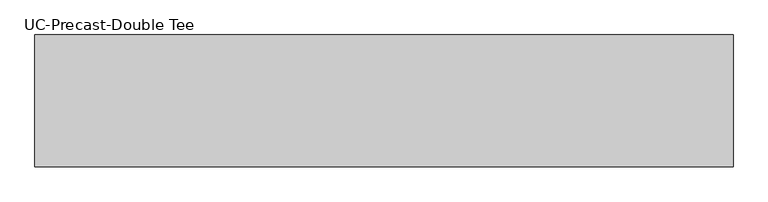
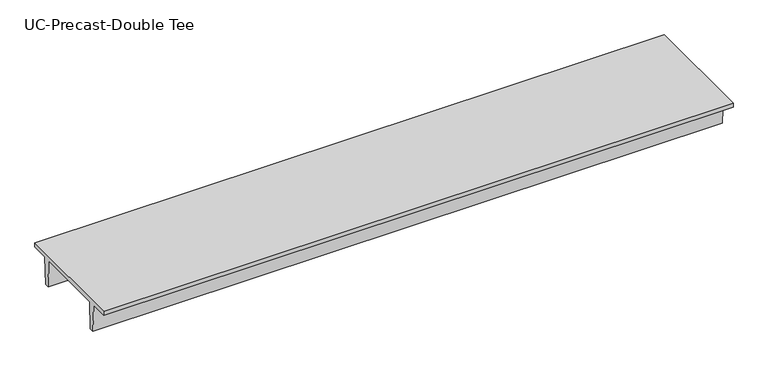
"""IFC4 building model written with IfcOpenShell, lengths in millimetres: beam geometry, UC-Precast-Double Tee."""

import ifcopenshell
import ifcopenshell.guid

model = None  # the IFC model being written
_history = None  # IfcOwnerHistory: only IFC2X3 demands one
_inside = {}  # id of a spatial element -> (the spatial element, [elements in it])
_under = {}  # id of a project, library or spatial element -> (it, [spatial elements below it])
_declared = {}  # id of a project -> (the project, [libraries it declares])
_typed = {}  # id of a type object -> (the type object, [elements of that type])
_made_of = {}  # id of a material, layer set ... -> (it, [elements and type objects made of it])


def new_model(schema):
    """Start an empty IFC model of exactly this schema.

    Asked for "IFC4X3", IfcOpenShell would pick the latest addendum, in which some entities
    have other attributes; the version numbers below select the first issue.
    IFC2X3 requires an IfcOwnerHistory on every rooted entity: one is made here for all.
    """
    global model, _history
    if schema == "IFC4X3":
        model = ifcopenshell.file(schema_version=(4, 3, 0, 0))
    else:
        model = ifcopenshell.file(schema=schema)
    _inside.clear()
    _under.clear()
    _declared.clear()
    _typed.clear()
    _made_of.clear()
    _history = None
    if model.schema == "IFC2X3":
        org = make("IfcOrganization", Name="unknown")
        user = make(
            "IfcPersonAndOrganization",
            ThePerson=make("IfcPerson", FamilyName="unknown"),
            TheOrganization=org,
        )
        app = make(
            "IfcApplication",
            ApplicationDeveloper=org,
            Version="unknown",
            ApplicationFullName="unknown",
            ApplicationIdentifier="unknown",
        )
        _history = make(
            "IfcOwnerHistory",
            OwningUser=user,
            OwningApplication=app,
            ChangeAction="ADDED",
            CreationDate=0,
        )
    return model


def make(cls, **values):
    """One entity of the class cls with the attributes given. An attribute that is None is left unset."""
    return model.create_entity(
        cls, **{name: value for name, value in values.items() if value is not None}
    )


def rooted(cls, **values):
    """An entity with a GlobalId (a new one), such as an element, a storey or a relation."""
    return make(cls, GlobalId=ifcopenshell.guid.new(), OwnerHistory=_history, **values)


def si_unit(unit_type, name, prefix=None):
    """IfcSIUnit, for example si_unit("LENGTHUNIT", "METRE", prefix="MILLI")."""
    return make("IfcSIUnit", UnitType=unit_type, Prefix=prefix, Name=name)


def assignment(units):
    """IfcUnitAssignment: the units of a project."""
    return None if units is None else make("IfcUnitAssignment", Units=units)


def point(xyz):
    """IfcCartesianPoint."""
    return None if xyz is None else make("IfcCartesianPoint", Coordinates=xyz)


def direction(xyz):
    """IfcDirection."""
    return None if xyz is None else make("IfcDirection", DirectionRatios=xyz)


def frame(location, z_axis=None, x_axis=None):
    """IfcAxis2Placement3D, a coordinate frame: its origin and axes. An axis left out is left unset."""
    return make(
        "IfcAxis2Placement3D",
        Location=point(location),
        Axis=direction(z_axis),
        RefDirection=direction(x_axis),
    )


def origin():
    """The frame at (0, 0, 0) with its axes left unset."""
    return frame((0.0, 0.0, 0.0))


def place(relative_to, where):
    """IfcLocalPlacement: puts the frame where relative to a parent placement (None: the world)."""
    return make(
        "IfcLocalPlacement", PlacementRelTo=relative_to, RelativePlacement=where
    )


def context(
    kind, dimensions, precision=None, world=None, true_north=None, identifier=None
):
    """IfcGeometricRepresentationContext, for example the 3D "Model" context."""
    return make(
        "IfcGeometricRepresentationContext",
        ContextIdentifier=identifier,
        ContextType=kind,
        CoordinateSpaceDimension=dimensions,
        Precision=precision,
        WorldCoordinateSystem=world,
        TrueNorth=true_north,
    )


def project(units=None, contexts=None):
    """IfcProject with its units and contexts."""
    return rooted(
        "IfcProject",
        Name="project",
        RepresentationContexts=contexts,
        UnitsInContext=assignment(units),
    )


def spatial(cls, under=None, at=None, **own):
    """A site, building, storey or space (cls), placed at a placement, below another one or the project."""
    s = rooted(cls, ObjectPlacement=at, **own)
    if under is not None:
        _under.setdefault(under.id(), (under, []))[1].append(s)
    return s


def polyline(points):
    """IfcPolyline through the points."""
    return make("IfcPolyline", Points=[point(p) for p in points])


def outline(outer, holes=None, kind="AREA"):
    """IfcArbitraryClosedProfileDef: a profile drawn as a closed curve; with holes, ...WithVoids."""
    if holes is None:
        return make("IfcArbitraryClosedProfileDef", ProfileType=kind, OuterCurve=outer)
    return make(
        "IfcArbitraryProfileDefWithVoids",
        ProfileType=kind,
        OuterCurve=outer,
        InnerCurves=holes,
    )


def extrude(swept, where, along, depth):
    """IfcExtrudedAreaSolid: the profile swept, set in the frame where, extruded along a direction by depth."""
    return make(
        "IfcExtrudedAreaSolid",
        SweptArea=swept,
        Position=where,
        ExtrudedDirection=direction(along),
        Depth=depth,
    )


def shape(context_of_items, identifier, shape_type, items):
    """IfcShapeRepresentation: the items that make up one representation, for example the "Body"."""
    return make(
        "IfcShapeRepresentation",
        ContextOfItems=context_of_items,
        RepresentationIdentifier=identifier,
        RepresentationType=shape_type,
        Items=items,
    )


def source(mapping_origin, context_of_items, identifier, shape_type, items):
    """IfcRepresentationMap: a shape defined once, which mapped items show again and again."""
    return make(
        "IfcRepresentationMap",
        MappingOrigin=mapping_origin,
        MappedRepresentation=shape(context_of_items, identifier, shape_type, items),
    )


def transform(
    local_origin,
    x_axis=None,
    y_axis=None,
    z_axis=None,
    scale=None,
    scale2=None,
    scale3=None,
    uniform=True,
):
    """IfcCartesianTransformationOperator3D, or its non-uniform kind. x_axis, y_axis, z_axis: its Axis1, 2, 3."""
    if uniform:
        return make(
            "IfcCartesianTransformationOperator3D",
            Axis1=direction(x_axis),
            Axis2=direction(y_axis),
            LocalOrigin=point(local_origin),
            Scale=scale,
            Axis3=direction(z_axis),
        )
    return make(
        "IfcCartesianTransformationOperator3DnonUniform",
        Axis1=direction(x_axis),
        Axis2=direction(y_axis),
        LocalOrigin=point(local_origin),
        Scale=scale,
        Axis3=direction(z_axis),
        Scale2=scale2,
        Scale3=scale3,
    )


def mapped(mapping_source, mapping_target):
    """IfcMappedItem: shows the shape of a source again, moved by a transform."""
    return make(
        "IfcMappedItem", MappingSource=mapping_source, MappingTarget=mapping_target
    )


def made_of(thing, what):
    """Note that an element or type object is made of a material, layer set ...; save() writes the relation."""
    if what is not None:
        _made_of.setdefault(what.id(), (what, []))[1].append(thing)
    return thing


def element(
    cls,
    number,
    at=None,
    inside=None,
    cuts=None,
    type_object=None,
    material=None,
    context=None,
    identifier="Body",
    shape_type=None,
    held_by="IfcProductDefinitionShape",
    body=None,
    shapes=None,
    **own,
):
    """One element of the class cls, such as IfcWall. Its Tag is "e" and its number.

    at: its placement. inside: the storey or other place that contains it. cuts: it is an
    opening in that element (IfcRelVoidsElement). A single representation is given by context,
    identifier, shape_type and body (its items); several are given by shapes. held_by: the class
    of the entity that holds the representations. save() writes the other relations.
    """
    e = rooted(cls, Tag="e%d" % number, ObjectPlacement=at, **own)
    if body is not None:
        shapes = [shape(context, identifier, shape_type, body)]
    if shapes is not None:
        e.Representation = make(held_by, Representations=shapes)
    if inside is not None:
        _inside.setdefault(inside.id(), (inside, []))[1].append(e)
    if cuts is not None:
        rooted(
            "IfcRelVoidsElement", RelatingBuildingElement=cuts, RelatedOpeningElement=e
        )
    if type_object is not None:
        _typed.setdefault(type_object.id(), (type_object, []))[1].append(e)
    return made_of(e, material)


def aggregate(whole, parts):
    """IfcRelAggregates: a whole, such as a stair, and the parts it consists of."""
    return rooted("IfcRelAggregates", RelatingObject=whole, RelatedObjects=parts)


def save(model, path):
    """Write the relations noted so far, then the file.

    IfcRelAggregates (storeys below a building ...), IfcRelContainedInSpatialStructure (elements
    in a storey), IfcRelDefinesByType, IfcRelAssociatesMaterial and IfcRelDeclares: one each for
    every whole, place, type object, material and project.
    """
    for whole, parts in _under.values():
        aggregate(whole, parts)
    for where, things in _inside.values():
        rooted(
            "IfcRelContainedInSpatialStructure",
            RelatedElements=things,
            RelatingStructure=where,
        )
    for kind, things in _typed.values():
        rooted("IfcRelDefinesByType", RelatedObjects=things, RelatingType=kind)
    for what, things in _made_of.values():
        rooted("IfcRelAssociatesMaterial", RelatedObjects=things, RelatingMaterial=what)
    for by, libraries in _declared.values():
        rooted("IfcRelDeclares", RelatingContext=by, RelatedDefinitions=libraries)
    model.write(path)


def uc_precast_double_tee_e0e9be0b(model_context):
    return source(origin(), model_context, "Body", "SweptSolid", [
        extrude(outline(polyline([(1397.0, 381.0), (1397.0, 279.4), (990.6, 279.4), (965.2, -381.0), (863.6, -381.0), (838.2, 279.4), (-838.2, 279.4), (-863.6, -381.0), (-965.2, -381.0), (-990.6, 279.4), (-1397.0, 279.4), (-1397.0, 381.0), (1397.0, 381.0)])), frame((-7353.3, 0.0, 0.0), z_axis=(1.0, 0.0, 0.0), x_axis=(0.0, 1.0, 0.0)), (0.0, 0.0, 1.0), 14779.0657187),
    ])


if __name__ == "__main__":
    model = new_model("IFC4")
    model_context = context("Model", 3, world=origin())
    ifc_project = project(units=[si_unit("LENGTHUNIT", "METRE", prefix="MILLI")], contexts=[model_context])
    site = spatial("IfcSite", under=ifc_project)
    building = spatial("IfcBuilding", under=site)
    placement = place(None, origin())
    uc_precast_double_tee_shape = uc_precast_double_tee_e0e9be0b(model_context)
    element("IfcBeam", 1, ObjectType="UC-Precast-Double Tee", at=placement, inside=building, context=model_context, shape_type="MappedRepresentation", body=[
        mapped(uc_precast_double_tee_shape, transform((0.0, 0.0, 0.0), x_axis=(1.0, 0.0, 0.0), y_axis=(0.0, 1.0, 0.0), z_axis=(0.0, 0.0, 1.0))),
    ])
    save(model, "model.ifc")
